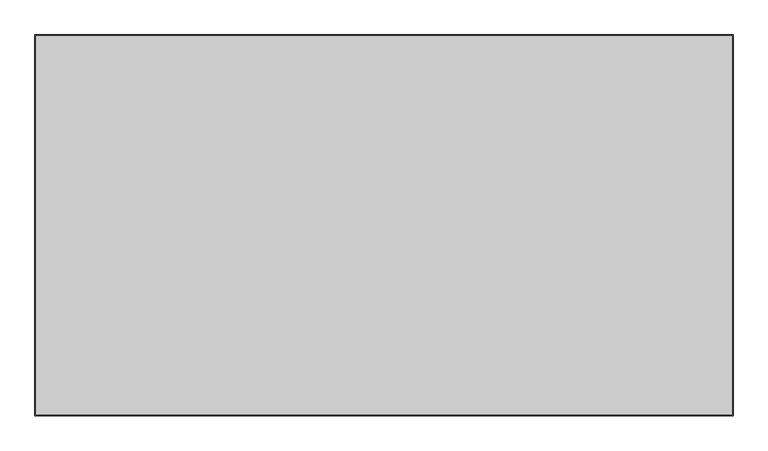
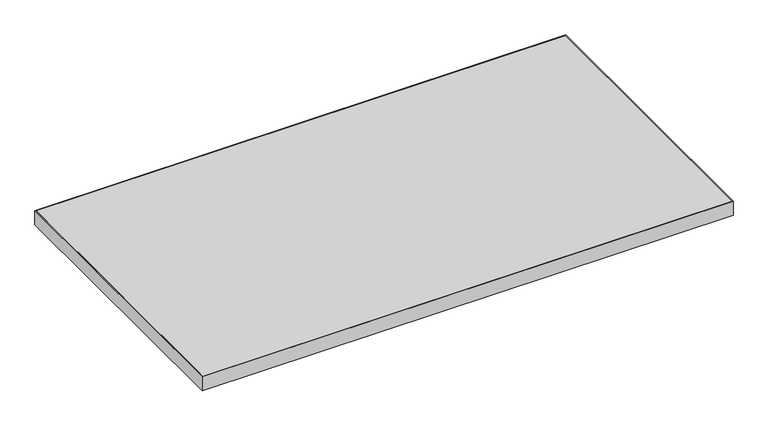
"""IFC4 building model written with IfcOpenShell, lengths in millimetres: furniture geometry."""

import ifcopenshell
import ifcopenshell.guid

model = None  # the IFC model being written
_history = None  # IfcOwnerHistory: only IFC2X3 demands one
_inside = {}  # id of a spatial element -> (the spatial element, [elements in it])
_under = {}  # id of a project, library or spatial element -> (it, [spatial elements below it])
_declared = {}  # id of a project -> (the project, [libraries it declares])
_typed = {}  # id of a type object -> (the type object, [elements of that type])
_made_of = {}  # id of a material, layer set ... -> (it, [elements and type objects made of it])


def new_model(schema):
    """Start an empty IFC model of exactly this schema.

    Asked for "IFC4X3", IfcOpenShell would pick the latest addendum, in which some entities
    have other attributes; the version numbers below select the first issue.
    IFC2X3 requires an IfcOwnerHistory on every rooted entity: one is made here for all.
    """
    global model, _history
    if schema == "IFC4X3":
        model = ifcopenshell.file(schema_version=(4, 3, 0, 0))
    else:
        model = ifcopenshell.file(schema=schema)
    _inside.clear()
    _under.clear()
    _declared.clear()
    _typed.clear()
    _made_of.clear()
    _history = None
    if model.schema == "IFC2X3":
        org = make("IfcOrganization", Name="unknown")
        user = make(
            "IfcPersonAndOrganization",
            ThePerson=make("IfcPerson", FamilyName="unknown"),
            TheOrganization=org,
        )
        app = make(
            "IfcApplication",
            ApplicationDeveloper=org,
            Version="unknown",
            ApplicationFullName="unknown",
            ApplicationIdentifier="unknown",
        )
        _history = make(
            "IfcOwnerHistory",
            OwningUser=user,
            OwningApplication=app,
            ChangeAction="ADDED",
            CreationDate=0,
        )
    return model


def make(cls, **values):
    """One entity of the class cls with the attributes given. An attribute that is None is left unset."""
    return model.create_entity(
        cls, **{name: value for name, value in values.items() if value is not None}
    )


def rooted(cls, **values):
    """An entity with a GlobalId (a new one), such as an element, a storey or a relation."""
    return make(cls, GlobalId=ifcopenshell.guid.new(), OwnerHistory=_history, **values)


def si_unit(unit_type, name, prefix=None):
    """IfcSIUnit, for example si_unit("LENGTHUNIT", "METRE", prefix="MILLI")."""
    return make("IfcSIUnit", UnitType=unit_type, Prefix=prefix, Name=name)


def assignment(units):
    """IfcUnitAssignment: the units of a project."""
    return None if units is None else make("IfcUnitAssignment", Units=units)


def point(xyz):
    """IfcCartesianPoint."""
    return None if xyz is None else make("IfcCartesianPoint", Coordinates=xyz)


def direction(xyz):
    """IfcDirection."""
    return None if xyz is None else make("IfcDirection", DirectionRatios=xyz)


def frame(location, z_axis=None, x_axis=None):
    """IfcAxis2Placement3D, a coordinate frame: its origin and axes. An axis left out is left unset."""
    return make(
        "IfcAxis2Placement3D",
        Location=point(location),
        Axis=direction(z_axis),
        RefDirection=direction(x_axis),
    )


def origin():
    """The frame at (0, 0, 0) with its axes left unset."""
    return frame((0.0, 0.0, 0.0))


def place(relative_to, where):
    """IfcLocalPlacement: puts the frame where relative to a parent placement (None: the world)."""
    return make(
        "IfcLocalPlacement", PlacementRelTo=relative_to, RelativePlacement=where
    )


def context(
    kind, dimensions, precision=None, world=None, true_north=None, identifier=None
):
    """IfcGeometricRepresentationContext, for example the 3D "Model" context."""
    return make(
        "IfcGeometricRepresentationContext",
        ContextIdentifier=identifier,
        ContextType=kind,
        CoordinateSpaceDimension=dimensions,
        Precision=precision,
        WorldCoordinateSystem=world,
        TrueNorth=true_north,
    )


def project(units=None, contexts=None):
    """IfcProject with its units and contexts."""
    return rooted(
        "IfcProject",
        Name="project",
        RepresentationContexts=contexts,
        UnitsInContext=assignment(units),
    )


def spatial(cls, under=None, at=None, **own):
    """A site, building, storey or space (cls), placed at a placement, below another one or the project."""
    s = rooted(cls, ObjectPlacement=at, **own)
    if under is not None:
        _under.setdefault(under.id(), (under, []))[1].append(s)
    return s


def polyline(points):
    """IfcPolyline through the points."""
    return make("IfcPolyline", Points=[point(p) for p in points])


def outline(outer, holes=None, kind="AREA"):
    """IfcArbitraryClosedProfileDef: a profile drawn as a closed curve; with holes, ...WithVoids."""
    if holes is None:
        return make("IfcArbitraryClosedProfileDef", ProfileType=kind, OuterCurve=outer)
    return make(
        "IfcArbitraryProfileDefWithVoids",
        ProfileType=kind,
        OuterCurve=outer,
        InnerCurves=holes,
    )


def extrude(swept, where, along, depth):
    """IfcExtrudedAreaSolid: the profile swept, set in the frame where, extruded along a direction by depth."""
    return make(
        "IfcExtrudedAreaSolid",
        SweptArea=swept,
        Position=where,
        ExtrudedDirection=direction(along),
        Depth=depth,
    )


def shape(context_of_items, identifier, shape_type, items):
    """IfcShapeRepresentation: the items that make up one representation, for example the "Body"."""
    return make(
        "IfcShapeRepresentation",
        ContextOfItems=context_of_items,
        RepresentationIdentifier=identifier,
        RepresentationType=shape_type,
        Items=items,
    )


def source(mapping_origin, context_of_items, identifier, shape_type, items):
    """IfcRepresentationMap: a shape defined once, which mapped items show again and again."""
    return make(
        "IfcRepresentationMap",
        MappingOrigin=mapping_origin,
        MappedRepresentation=shape(context_of_items, identifier, shape_type, items),
    )


def transform(
    local_origin,
    x_axis=None,
    y_axis=None,
    z_axis=None,
    scale=None,
    scale2=None,
    scale3=None,
    uniform=True,
):
    """IfcCartesianTransformationOperator3D, or its non-uniform kind. x_axis, y_axis, z_axis: its Axis1, 2, 3."""
    if uniform:
        return make(
            "IfcCartesianTransformationOperator3D",
            Axis1=direction(x_axis),
            Axis2=direction(y_axis),
            LocalOrigin=point(local_origin),
            Scale=scale,
            Axis3=direction(z_axis),
        )
    return make(
        "IfcCartesianTransformationOperator3DnonUniform",
        Axis1=direction(x_axis),
        Axis2=direction(y_axis),
        LocalOrigin=point(local_origin),
        Scale=scale,
        Axis3=direction(z_axis),
        Scale2=scale2,
        Scale3=scale3,
    )


def mapped(mapping_source, mapping_target):
    """IfcMappedItem: shows the shape of a source again, moved by a transform."""
    return make(
        "IfcMappedItem", MappingSource=mapping_source, MappingTarget=mapping_target
    )


def made_of(thing, what):
    """Note that an element or type object is made of a material, layer set ...; save() writes the relation."""
    if what is not None:
        _made_of.setdefault(what.id(), (what, []))[1].append(thing)
    return thing


def element(
    cls,
    number,
    at=None,
    inside=None,
    cuts=None,
    type_object=None,
    material=None,
    context=None,
    identifier="Body",
    shape_type=None,
    held_by="IfcProductDefinitionShape",
    body=None,
    shapes=None,
    **own,
):
    """One element of the class cls, such as IfcWall. Its Tag is "e" and its number.

    at: its placement. inside: the storey or other place that contains it. cuts: it is an
    opening in that element (IfcRelVoidsElement). A single representation is given by context,
    identifier, shape_type and body (its items); several are given by shapes. held_by: the class
    of the entity that holds the representations. save() writes the other relations.
    """
    e = rooted(cls, Tag="e%d" % number, ObjectPlacement=at, **own)
    if body is not None:
        shapes = [shape(context, identifier, shape_type, body)]
    if shapes is not None:
        e.Representation = make(held_by, Representations=shapes)
    if inside is not None:
        _inside.setdefault(inside.id(), (inside, []))[1].append(e)
    if cuts is not None:
        rooted(
            "IfcRelVoidsElement", RelatingBuildingElement=cuts, RelatedOpeningElement=e
        )
    if type_object is not None:
        _typed.setdefault(type_object.id(), (type_object, []))[1].append(e)
    return made_of(e, material)


def aggregate(whole, parts):
    """IfcRelAggregates: a whole, such as a stair, and the parts it consists of."""
    return rooted("IfcRelAggregates", RelatingObject=whole, RelatedObjects=parts)


def save(model, path):
    """Write the relations noted so far, then the file.

    IfcRelAggregates (storeys below a building ...), IfcRelContainedInSpatialStructure (elements
    in a storey), IfcRelDefinesByType, IfcRelAssociatesMaterial and IfcRelDeclares: one each for
    every whole, place, type object, material and project.
    """
    for whole, parts in _under.values():
        aggregate(whole, parts)
    for where, things in _inside.values():
        rooted(
            "IfcRelContainedInSpatialStructure",
            RelatedElements=things,
            RelatingStructure=where,
        )
    for kind, things in _typed.values():
        rooted("IfcRelDefinesByType", RelatedObjects=things, RelatingType=kind)
    for what, things in _made_of.values():
        rooted("IfcRelAssociatesMaterial", RelatedObjects=things, RelatingMaterial=what)
    for by, libraries in _declared.values():
        rooted("IfcRelDeclares", RelatingContext=by, RelatedDefinitions=libraries)
    model.write(path)


def furniture_30d1d1d2(model_context):
    return source(origin(), model_context, "Body", "SweptSolid", [
        extrude(outline(polyline([(301.6758, 831.9008), (301.6758, 253.9492), (-758.8758, 253.9492), (-758.8758, 831.9008), (301.6758, 831.9008)])), frame((0.0, 0.0, 707.009), z_axis=(0.0, 0.0, 1.0), x_axis=(1.0, 0.0, 0.0)), (0.0, 0.0, 1.0), 29.591),
        extrude(outline(polyline([(303.2633, 252.3617), (-760.4633, 252.3617), (-760.4633, 833.4883), (303.2633, 833.4883), (303.2633, 252.3617)]), holes=[polyline([(301.6758, 831.9008), (-758.8758, 831.9008), (-758.8758, 253.9492), (301.6758, 253.9492), (301.6758, 831.9008)])]), frame((0.0, 0.0, 707.009), z_axis=(0.0, 0.0, 1.0), x_axis=(1.0, 0.0, 0.0)), (0.0, 0.0, 1.0), 29.591),
    ])


if __name__ == "__main__":
    model = new_model("IFC4")
    model_context = context("Model", 3, world=origin())
    ifc_project = project(units=[si_unit("LENGTHUNIT", "METRE", prefix="MILLI")], contexts=[model_context])
    site = spatial("IfcSite", under=ifc_project)
    building = spatial("IfcBuilding", under=site)
    placement = place(None, origin())
    furniture_shape = furniture_30d1d1d2(model_context)
    element("IfcFurniture", 1, at=placement, inside=building, context=model_context, shape_type="MappedRepresentation", body=[
        mapped(furniture_shape, transform((0.0, 0.0, 0.0), x_axis=(1.0, 0.0, 0.0), y_axis=(0.0, 1.0, 0.0), z_axis=(0.0, 0.0, 1.0))),
    ])
    save(model, "model.ifc")
